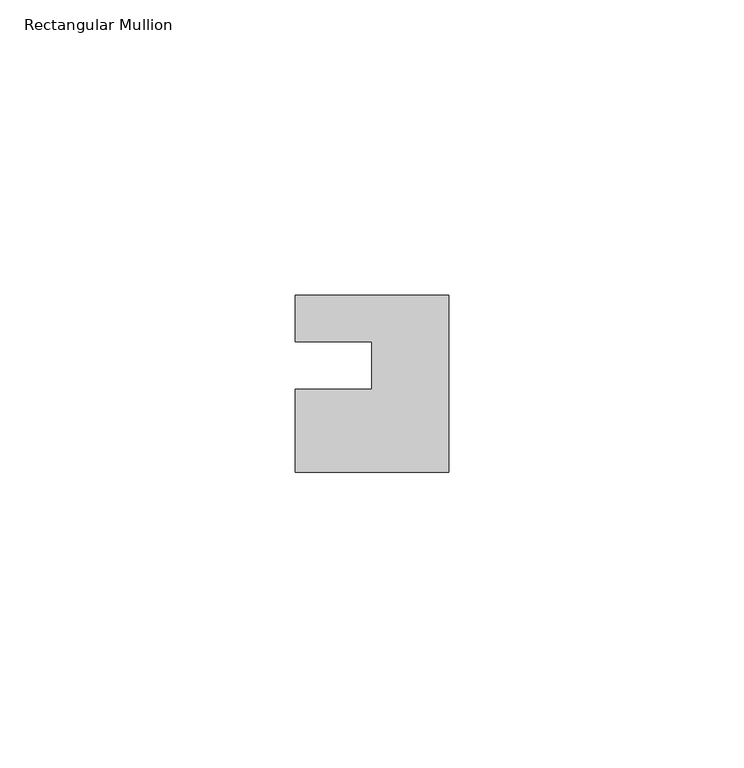
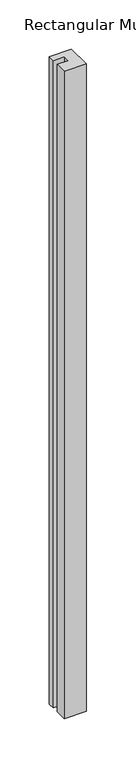
"""IFC4 building model written with IfcOpenShell, lengths in millimetres: member geometry, Rectangular Mullion."""

from ifc_helpers import new_model, si_unit, frame, origin, place, context, project, spatial, polyline, outline, extrude, source, transform, mapped, element, save


def rectangular_mullion_63255daa(model_context):
    return source(origin(), model_context, "Body", "SweptSolid", [
        extrude(outline(polyline([(-26.0, 0.001), (-26.0, 7.94), (0.0, 7.94), (0.0, -22.06), (-26.0, -22.06), (-26.0, -8.0), (-13.0, -8.0), (-13.0, 0.001), (-26.0, 0.001)])), frame((0.0, 0.0, -802.0), z_axis=(0.0, 0.0, 1.0), x_axis=(1.0, 0.0, 0.0)), (0.0, 0.0, 1.0), 802.0),
    ])


if __name__ == "__main__":
    model = new_model("IFC4")
    model_context = context("Model", 3, world=origin())
    ifc_project = project(units=[si_unit("LENGTHUNIT", "METRE", prefix="MILLI")], contexts=[model_context])
    site = spatial("IfcSite", under=ifc_project)
    building = spatial("IfcBuilding", under=site)
    placement = place(None, origin())
    rectangular_mullion_shape = rectangular_mullion_63255daa(model_context)
    element("IfcMember", 1, ObjectType="Rectangular Mullion", at=placement, inside=building, context=model_context, shape_type="MappedRepresentation", body=[
        mapped(rectangular_mullion_shape, transform((0.0, 0.0, 0.0), x_axis=(1.0, 0.0, 0.0), y_axis=(0.0, 1.0, 0.0), z_axis=(0.0, 0.0, 1.0))),
    ])
    save(model, "model.ifc")
